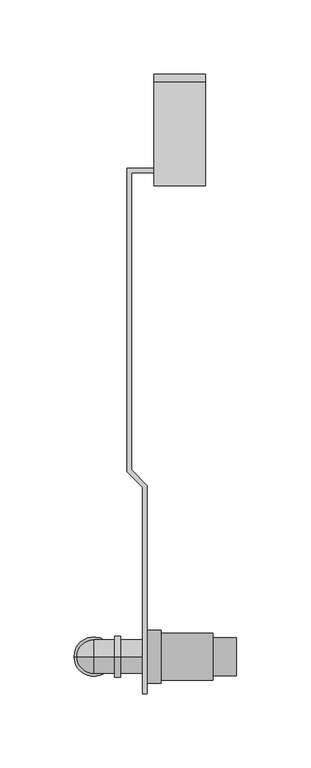
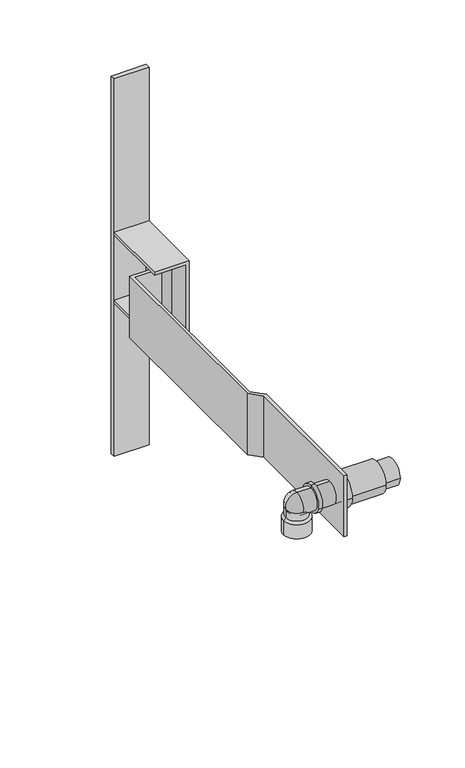
"""IFC4 building model written with IfcOpenShell, lengths in millimetres: proxy geometry."""

from ifc_helpers import new_model, si_unit, point, frame, frame_2d, origin, place, context, project, spatial, polyline, circle_curve, ellipse_curve, trimmed, segment, composite_curve, outline, extrude, source, transform, mapped, element, save
from ifc_brep_helpers import plane_surface, cylinder_surface, revolved_surface, advanced_brep


def building_element_proxy_70c6cee3(model_context):
    return source(origin(), model_context, "Body", "SolidModel", [
        advanced_brep(
        [(-69.3, -392.5, 0.0), (-58.0, -392.5, 11.3), (-58.0, -392.5, -11.3), (-44.0, -392.5, 11.3), (-44.0, -392.5, -11.3), (-44.0, -392.5, 13.8), (-44.0, -392.5, -13.8), (-40.0, -392.5, 13.8), (-40.0, -392.5, -13.8), (-40.0, -392.5, 11.3), (-40.0, -392.5, -11.3), (-13.0253497, -392.5, 11.3), (-13.0253497, -392.5, -11.3), (-13.0253497, -392.5, 0.0)],
        [
            (0, 1, circle_curve(frame((-58.0, -392.5, 0.0), z_axis=(0.0, 1.0, 0.0), x_axis=(0.0, 0.0, 1.0)), 11.3)),
            (1, 2, circle_curve(frame((-58.0, -392.5, 0.0), z_axis=(-1.0, 0.0, 0.0), x_axis=(0.0, 0.0, 1.0)), 11.3)),
            (2, 0, circle_curve(frame((-58.0, -392.5, 0.0), z_axis=(0.0, 1.0, 0.0), x_axis=(0.0, 0.0, -1.0)), 11.3)),
            (2, 1, circle_curve(frame((-58.0, -392.5, 0.0), z_axis=(-1.0, 0.0, 0.0), x_axis=(0.0, 0.0, 1.0)), 11.3)),
            (1, 3),
            (3, 4, circle_curve(frame((-44.0, -392.5, 0.0), z_axis=(-1.0, 0.0, 0.0), x_axis=(0.0, 0.0, 1.0)), 11.3)),
            (4, 2),
            (4, 3, circle_curve(frame((-44.0, -392.5, 0.0), z_axis=(-1.0, 0.0, 0.0), x_axis=(0.0, 0.0, 1.0)), 11.3)),
            (3, 5),
            (5, 6, circle_curve(frame((-44.0, -392.5, 0.0), z_axis=(-1.0, 0.0, 0.0), x_axis=(0.0, 0.0, 1.0)), 13.8)),
            (6, 4),
            (6, 5, circle_curve(frame((-44.0, -392.5, 0.0), z_axis=(-1.0, 0.0, 0.0), x_axis=(0.0, 0.0, 1.0)), 13.8)),
            (5, 7),
            (7, 8, circle_curve(frame((-40.0, -392.5, 0.0), z_axis=(-1.0, 0.0, 0.0), x_axis=(0.0, 0.0, 1.0)), 13.8)),
            (8, 6),
            (8, 7, circle_curve(frame((-40.0, -392.5, 0.0), z_axis=(-1.0, 0.0, 0.0), x_axis=(0.0, 0.0, 1.0)), 13.8)),
            (7, 9),
            (9, 10, circle_curve(frame((-40.0, -392.5, 0.0), z_axis=(-1.0, 0.0, 0.0), x_axis=(0.0, 0.0, 1.0)), 11.3)),
            (10, 8),
            (10, 9, circle_curve(frame((-40.0, -392.5, 0.0), z_axis=(-1.0, 0.0, 0.0), x_axis=(0.0, 0.0, 1.0)), 11.3)),
            (9, 11),
            (11, 12, circle_curve(frame((-13.0253497, -392.5, 0.0), z_axis=(-1.0, 0.0, 0.0), x_axis=(0.0, 0.0, 1.0)), 11.3)),
            (12, 10),
            (12, 11, circle_curve(frame((-13.0253497, -392.5, 0.0), z_axis=(-1.0, 0.0, 0.0), x_axis=(0.0, 0.0, 1.0)), 11.3)),
            (11, 13),
            (13, 12),
        ],
        [
            revolved_surface(trimmed(ellipse_curve(frame((-58.0, -392.5, 0.0), z_axis=(0.0, -1.0, 0.0), x_axis=(0.0, 0.0, 1.0)), 11.3, 11.3), [point((-58.0, -392.5, 11.3))], [point((-69.3, -392.5, 0.0))], True, "CARTESIAN"), (-73.1860858, -392.5, 0.0), (-1.0, 0.0, 0.0)),
            cylinder_surface(frame((-73.1860858, -392.5, 0.0), z_axis=(-1.0, 0.0, 0.0), x_axis=(0.0, 0.0, 1.0)), 11.3),
            plane_surface(frame((-44.0, -392.5, 0.0), z_axis=(-1.0, 0.0, 0.0), x_axis=(0.0, 0.0, 1.0))),
            cylinder_surface(frame((-73.1860858, -392.5, 0.0), z_axis=(-1.0, 0.0, 0.0), x_axis=(0.0, 0.0, 1.0)), 13.8),
            plane_surface(frame((-40.0, -392.5, 0.0), z_axis=(1.0, 0.0, 0.0), x_axis=(0.0, 0.0, 1.0))),
            plane_surface(frame((-13.0253497, -392.5, 0.0), z_axis=(1.0, 0.0, 0.0), x_axis=(0.0, 0.0, 1.0))),
        ],
        [
            (0, [[1, 2, 3]]),
            (0, [[-3, 4, -1]]),
            (1, [[-2, 5, 6, 7]]),
            (1, [[-4, -7, 8, -5]]),
            (2, [[-6, 9, 10, 11]]),
            (2, [[-8, -11, 12, -9]]),
            (3, [[-10, 13, 14, 15]]),
            (3, [[-12, -15, 16, -13]]),
            (4, [[-14, 17, 18, 19]]),
            (4, [[-16, -19, 20, -17]]),
            (1, [[-18, 21, 22, 23]]),
            (1, [[-20, -23, 24, -21]]),
            (5, [[-22, 25, 26]]),
            (5, [[-24, -26, -25]]),
        ],
    ),
        advanced_brep(
        [(-22.0, -410.35, 0.0), (-22.0, -374.65, 0.0), (-12.5, -374.65, 0.0), (-12.5, -410.35, 0.0), (-12.5, -376.65, 0.0), (-12.5, -408.35, 0.0), (22.3, -376.65, 0.0), (22.3, -408.35, 0.0), (22.3, -379.65, 0.0), (22.3, -405.35, 0.0), (38.3, -379.65, 0.0), (38.3, -405.35, 0.0), (38.3, -392.5, 0.0), (-22.0, -392.5, 0.0)],
        [
            (0, 1, circle_curve(frame((-22.0, -392.5, 0.0), z_axis=(1.0, 0.0, 0.0), x_axis=(0.0, 1.0, 0.0)), 17.85)),
            (1, 2),
            (2, 3, circle_curve(frame((-12.5, -392.5, 0.0), z_axis=(-1.0, 0.0, 0.0), x_axis=(0.0, 1.0, 0.0)), 17.85)),
            (3, 0),
            (1, 0, circle_curve(frame((-22.0, -392.5, 0.0), z_axis=(1.0, 0.0, 0.0), x_axis=(0.0, 1.0, 0.0)), 17.85)),
            (3, 2, circle_curve(frame((-12.5, -392.5, 0.0), z_axis=(-1.0, 0.0, 0.0), x_axis=(0.0, 1.0, 0.0)), 17.85)),
            (2, 4),
            (4, 5, circle_curve(frame((-12.5, -392.5, 0.0), z_axis=(-1.0, 0.0, 0.0), x_axis=(0.0, 1.0, 0.0)), 15.85)),
            (5, 3),
            (5, 4, circle_curve(frame((-12.5, -392.5, 0.0), z_axis=(-1.0, 0.0, 0.0), x_axis=(0.0, 1.0, 0.0)), 15.85)),
            (4, 6),
            (6, 7, circle_curve(frame((22.3, -392.5, 0.0), z_axis=(-1.0, 0.0, 0.0), x_axis=(0.0, 1.0, 0.0)), 15.85)),
            (7, 5),
            (7, 6, circle_curve(frame((22.3, -392.5, 0.0), z_axis=(-1.0, 0.0, 0.0), x_axis=(0.0, 1.0, 0.0)), 15.85)),
            (6, 8),
            (8, 9, circle_curve(frame((22.3, -392.5, 0.0), z_axis=(-1.0, 0.0, 0.0), x_axis=(0.0, 1.0, 0.0)), 12.85)),
            (9, 7),
            (9, 8, circle_curve(frame((22.3, -392.5, 0.0), z_axis=(-1.0, 0.0, 0.0), x_axis=(0.0, 1.0, 0.0)), 12.85)),
            (8, 10),
            (10, 11, circle_curve(frame((38.3, -392.5, 0.0), z_axis=(-1.0, 0.0, 0.0), x_axis=(0.0, 1.0, 0.0)), 12.85)),
            (11, 9),
            (11, 10, circle_curve(frame((38.3, -392.5, 0.0), z_axis=(-1.0, 0.0, 0.0), x_axis=(0.0, 1.0, 0.0)), 12.85)),
            (10, 12),
            (12, 11),
            (13, 1),
            (0, 13),
        ],
        [
            cylinder_surface(frame((63.0, -392.5, 0.0), z_axis=(-1.0, 0.0, 0.0), x_axis=(0.0, 1.0, 0.0)), 17.85),
            plane_surface(frame((-12.5, -392.5, 0.0), z_axis=(1.0, 0.0, 0.0), x_axis=(0.0, 1.0, 0.0))),
            cylinder_surface(frame((63.0, -392.5, 0.0), z_axis=(-1.0, 0.0, 0.0), x_axis=(0.0, 1.0, 0.0)), 15.85),
            plane_surface(frame((22.3, -392.5, 0.0), z_axis=(1.0, 0.0, 0.0), x_axis=(0.0, 1.0, 0.0))),
            cylinder_surface(frame((63.0, -392.5, 0.0), z_axis=(-1.0, 0.0, 0.0), x_axis=(0.0, 1.0, 0.0)), 12.85),
            plane_surface(frame((38.3, -392.5, 0.0), z_axis=(1.0, 0.0, 0.0), x_axis=(0.0, 1.0, 0.0))),
            plane_surface(frame((-22.0, -392.5, 0.0), z_axis=(-1.0, 0.0, 0.0), x_axis=(0.0, 1.0, 0.0))),
        ],
        [
            (0, [[1, 2, 3, 4]]),
            (0, [[5, -4, 6, -2]]),
            (1, [[-3, 7, 8, 9]]),
            (1, [[-6, -9, 10, -7]]),
            (2, [[-8, 11, 12, 13]]),
            (2, [[-10, -13, 14, -11]]),
            (3, [[-12, 15, 16, 17]]),
            (3, [[-14, -17, 18, -15]]),
            (4, [[-16, 19, 20, 21]]),
            (4, [[-18, -21, 22, -19]]),
            (5, [[-20, 23, 24]]),
            (5, [[-22, -24, -23]]),
            (6, [[25, -1, 26]]),
            (6, [[-26, -5, -25]]),
        ],
    ),
        extrude(outline(composite_curve([segment(trimmed(circle_curve(frame_2d((0.0, -65.0)), 5.0), [point((-4.769696, -63.5))], [point((-4.769696, -66.5))], False, "CARTESIAN"), True, "CONTINUOUS"), segment(polyline([(-4.769696, -66.5), (-32.6066017, -66.5), (-32.6066017, -266.6507576), (-22.0, -277.2573593), (-22.0, -417.5), (-25.0, -417.5), (-25.0, -278.5), (-35.6066017, -267.8933983), (-35.6066017, -63.5), (-4.769696, -63.5)]), True, "CONTINUOUS")], self_intersect=False)), frame((0.0, 0.0, -32.5), z_axis=(0.0, 0.0, 1.0), x_axis=(1.0, 0.0, 0.0)), (0.0, 0.0, 1.0), 65.0),
        extrude(outline(polyline([(37.5, 17.5), (37.5, -17.5), (34.5, -17.5), (34.5, 14.5), (-34.5, 14.5), (-34.5, -17.5), (-37.5, -17.5), (-37.5, 17.5), (37.5, 17.5)])), frame((0.0, -75.0, 0.0), z_axis=(0.0, 1.0, 0.0), x_axis=(0.0, 0.0, 1.0)), (0.0, 0.0, 1.0), 70.0),
        extrude(outline(polyline([(17.5, -5.0), (-17.5, -5.0), (-17.5, 0.0), (17.5, 0.0), (17.5, -5.0)])), frame((0.0, 0.0, -200.0), z_axis=(0.0, 0.0, 1.0), x_axis=(1.0, 0.0, 0.0)), (0.0, 0.0, 1.0), 400.0),
        advanced_brep(
        [(-58.0, -392.5, -30.07), (-69.0, -392.5, -30.07), (-47.0, -392.5, -30.07), (-71.3, -392.5, -29.07), (-44.7, -392.5, -29.07), (-71.3, -392.5, -14.23), (-44.7, -392.5, -14.23), (-69.0, -392.5, -11.93), (-47.0, -392.5, -11.93), (-69.0, -392.5, 0.0), (-47.0, -392.5, 0.0), (-58.0, -392.5, 11.296017)],
        [
            (0, 1),
            (1, 2, circle_curve(frame((-58.0, -392.5, -30.07), z_axis=(0.0, 0.0, -1.0), x_axis=(-1.0, 0.0, 0.0)), 11.0)),
            (2, 0),
            (2, 1, circle_curve(frame((-58.0, -392.5, -30.07), z_axis=(0.0, 0.0, -1.0), x_axis=(-1.0, 0.0, 0.0)), 11.0)),
            (1, 3),
            (3, 4, circle_curve(frame((-58.0, -392.5, -29.07), z_axis=(0.0, 0.0, -1.0), x_axis=(-1.0, 0.0, 0.0)), 13.3)),
            (4, 2),
            (4, 3, circle_curve(frame((-58.0, -392.5, -29.07), z_axis=(0.0, 0.0, -1.0), x_axis=(-1.0, 0.0, 0.0)), 13.3)),
            (3, 5),
            (5, 6, circle_curve(frame((-58.0, -392.5, -14.23), z_axis=(0.0, 0.0, -1.0), x_axis=(-1.0, 0.0, 0.0)), 13.3)),
            (6, 4),
            (6, 5, circle_curve(frame((-58.0, -392.5, -14.23), z_axis=(0.0, 0.0, -1.0), x_axis=(-1.0, 0.0, 0.0)), 13.3)),
            (5, 7),
            (7, 8, circle_curve(frame((-58.0, -392.5, -11.93), z_axis=(0.0, 0.0, -1.0), x_axis=(-1.0, 0.0, 0.0)), 11.0)),
            (8, 6),
            (8, 7, circle_curve(frame((-58.0, -392.5, -11.93), z_axis=(0.0, 0.0, -1.0), x_axis=(-1.0, 0.0, 0.0)), 11.0)),
            (7, 9),
            (9, 10, circle_curve(frame((-58.0, -392.5, 0.0), z_axis=(0.0, 0.0, -1.0), x_axis=(-1.0, 0.0, 0.0)), 11.0)),
            (10, 8),
            (10, 9, circle_curve(frame((-58.0, -392.5, 0.0), z_axis=(0.0, 0.0, -1.0), x_axis=(-1.0, 0.0, 0.0)), 11.0)),
            (9, 11, circle_curve(frame((-57.7, -392.5, 0.0), z_axis=(0.0, 1.0, 0.0), x_axis=(0.0, 0.0, 1.0)), 11.3)),
            (11, 10, circle_curve(frame((-58.3, -392.5, 0.0), z_axis=(0.0, 1.0, 0.0), x_axis=(0.0, 0.0, 1.0)), 11.3)),
        ],
        [
            plane_surface(frame((-58.0, -392.5, -30.07), z_axis=(0.0, 0.0, -1.0), x_axis=(-1.0, 0.0, 0.0))),
            revolved_surface(polyline([(-71.3, -392.5, -29.07), (-69.0, -392.5, -30.07)]), (-58.0, -392.5, -34.8526087), (0.0, 0.0, -1.0)),
            cylinder_surface(frame((-58.0, -392.5, -34.8526087), z_axis=(0.0, 0.0, -1.0), x_axis=(-1.0, 0.0, 0.0)), 13.3),
            revolved_surface(polyline([(-69.0, -392.5, -11.93), (-71.3, -392.5, -14.23)]), (-58.0, -392.5, -34.8526087), (0.0, 0.0, -1.0)),
            cylinder_surface(frame((-58.0, -392.5, -34.8526087), z_axis=(0.0, 0.0, -1.0), x_axis=(-1.0, 0.0, 0.0)), 11.0),
            revolved_surface(trimmed(ellipse_curve(frame((-57.7, -392.5, 0.0), z_axis=(0.0, -1.0, 0.0), x_axis=(0.0, 0.0, 1.0)), 11.3, 11.3), [point((-58.0, -392.5, 11.296017))], [point((-69.0, -392.5, 0.0))], True, "CARTESIAN"), (-58.0, -392.5, -34.8526087), (0.0, 0.0, -1.0)),
        ],
        [
            (0, [[1, 2, 3]]),
            (0, [[-3, 4, -1]]),
            (1, [[-2, 5, 6, 7]]),
            (1, [[-4, -7, 8, -5]]),
            (2, [[-6, 9, 10, 11]]),
            (2, [[-8, -11, 12, -9]]),
            (3, [[-10, 13, 14, 15]]),
            (3, [[-12, -15, 16, -13]]),
            (4, [[-14, 17, 18, 19]]),
            (4, [[-16, -19, 20, -17]]),
            (5, [[-18, 21, 22]]),
            (5, [[-20, -22, -21]]),
        ],
    ),
    ])


if __name__ == "__main__":
    model = new_model("IFC4")
    model_context = context("Model", 3, world=origin())
    ifc_project = project(units=[si_unit("LENGTHUNIT", "METRE", prefix="MILLI")], contexts=[model_context])
    site = spatial("IfcSite", under=ifc_project)
    building = spatial("IfcBuilding", under=site)
    placement = place(None, origin())
    building_element_proxy_shape = building_element_proxy_70c6cee3(model_context)
    element("IfcBuildingElementProxy", 1, Name="Building Element Proxy", at=placement, inside=building, context=model_context, shape_type="MappedRepresentation", body=[
        mapped(building_element_proxy_shape, transform((0.0, 0.0, 0.0), x_axis=(1.0, 0.0, 0.0), y_axis=(0.0, 1.0, 0.0), z_axis=(0.0, 0.0, 1.0))),
    ])
    save(model, "model.ifc")
